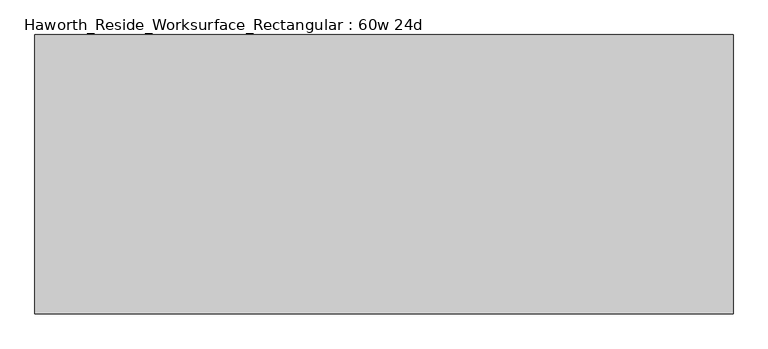
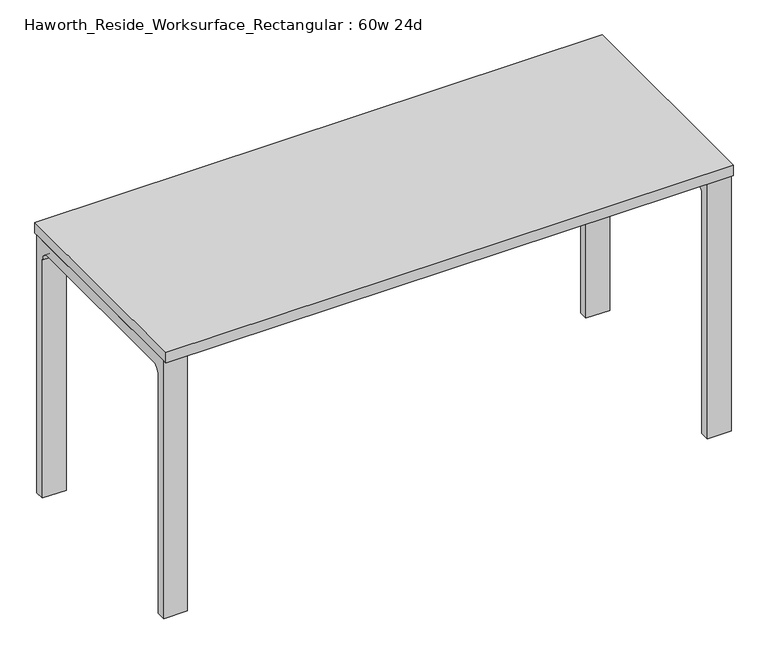
"""IFC4 building model written with IfcOpenShell, lengths in millimetres: furniture geometry, Haworth_Reside_Worksurface_Rectangular : 60w 24d."""

from ifc_helpers import new_model, si_unit, point, frame, frame_2d, origin, place, context, project, spatial, polyline, circle_curve, trimmed, segment, composite_curve, outline, extrude, source, transform, mapped, element, save


def haworth_reside_worksurface_rectangular_60w_24d_b6674198(model_context):
    return source(origin(), model_context, "Body", "SweptSolid", [
        extrude(outline(composite_curve([segment(trimmed(circle_curve(frame_2d((244.475, 676.275)), 25.4), [point((269.875, 676.275))], [point((244.475, 701.675))], True, "CARTESIAN"), True, "CONTINUOUS"), segment(polyline([(244.475, 701.675), (-244.475, 701.675)]), True, "CONTINUOUS"), segment(trimmed(circle_curve(frame_2d((-244.475, 676.275)), 25.4), [point((-244.475, 701.675))], [point((-269.875, 676.275))], True, "CARTESIAN"), True, "CONTINUOUS"), segment(polyline([(-269.875, 676.275), (-269.875, 0.0), (-295.275, 0.0), (-295.275, 731.8375), (295.275, 731.8375), (295.275, 0.0), (269.875, 0.0), (269.875, 676.275)]), True, "CONTINUOUS")], self_intersect=False)), frame((698.5, 0.0, 0.0), z_axis=(1.0, 0.0, 0.0), x_axis=(0.0, 1.0, 0.0)), (0.0, 0.0, 1.0), 63.5),
        extrude(outline(composite_curve([segment(trimmed(circle_curve(frame_2d((244.475, 676.275)), 25.4), [point((269.875, 676.275))], [point((244.475, 701.675))], True, "CARTESIAN"), True, "CONTINUOUS"), segment(polyline([(244.475, 701.675), (-244.475, 701.675)]), True, "CONTINUOUS"), segment(trimmed(circle_curve(frame_2d((-244.475, 676.275)), 25.4), [point((-244.475, 701.675))], [point((-269.875, 676.275))], True, "CARTESIAN"), True, "CONTINUOUS"), segment(polyline([(-269.875, 676.275), (-269.875, 0.0), (-295.275, 0.0), (-295.275, 731.8375), (295.275, 731.8375), (295.275, 0.0), (269.875, 0.0), (269.875, 676.275)]), True, "CONTINUOUS")], self_intersect=False)), frame((-762.0, 0.0, 0.0), z_axis=(1.0, 0.0, 0.0), x_axis=(0.0, 1.0, 0.0)), (0.0, 0.0, 1.0), 63.5),
        extrude(outline(polyline([(762.0, 304.8), (762.0, -304.8), (-762.0, -304.8), (-762.0, 304.8), (762.0, 304.8)])), frame((0.0, 0.0, 731.8375), z_axis=(0.0, 0.0, 1.0), x_axis=(1.0, 0.0, 0.0)), (0.0, 0.0, 1.0), 30.1625),
    ])


if __name__ == "__main__":
    model = new_model("IFC4")
    model_context = context("Model", 3, world=origin())
    ifc_project = project(units=[si_unit("LENGTHUNIT", "METRE", prefix="MILLI")], contexts=[model_context])
    site = spatial("IfcSite", under=ifc_project)
    building = spatial("IfcBuilding", under=site)
    placement = place(None, origin())
    haworth_reside_worksurface_rectangular_60w_24d_shape = haworth_reside_worksurface_rectangular_60w_24d_b6674198(model_context)
    element("IfcFurniture", 1, ObjectType="Haworth_Reside_Worksurface_Rectangular : 60w 24d", at=placement, inside=building, context=model_context, shape_type="MappedRepresentation", body=[
        mapped(haworth_reside_worksurface_rectangular_60w_24d_shape, transform((0.0, 0.0, 0.0), x_axis=(1.0, 0.0, 0.0), y_axis=(0.0, 1.0, 0.0), z_axis=(0.0, 0.0, 1.0))),
    ])
    save(model, "model.ifc")
